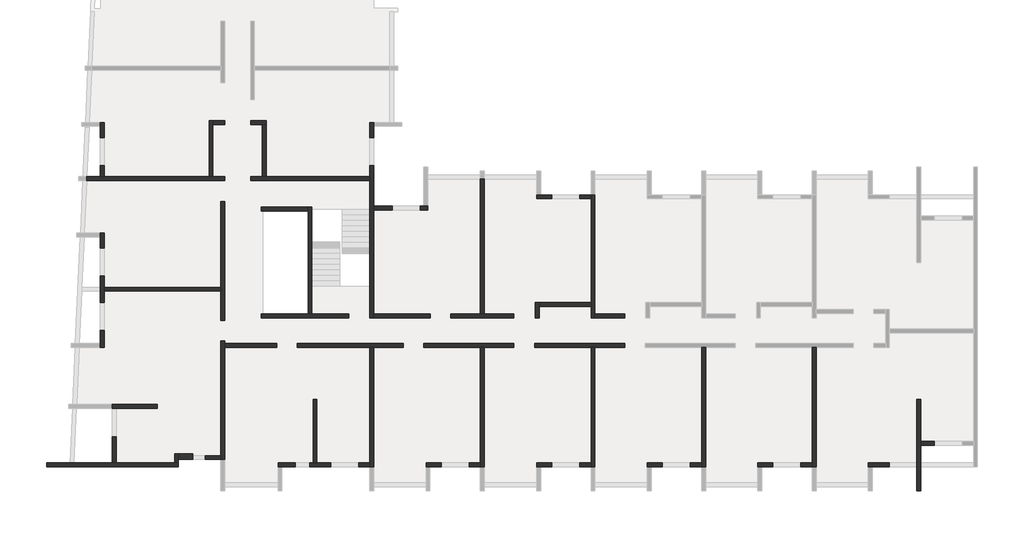
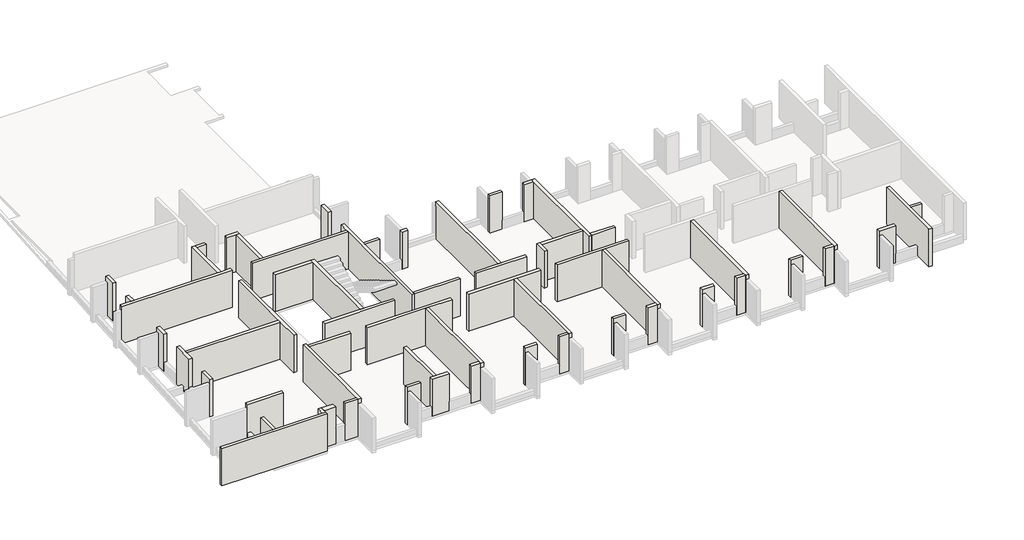
# One storey, part 1 of 4: 60 walls.
"""IFC4 building model written with IfcOpenShell, lengths in millimetres."""

from ifc_helpers import new_model, si_unit, frame, origin, place, context, project, spatial, polyline, outline, extrude, faceted_brep, element, save

model = new_model("IFC4")

# Units and contexts
model_context = context("Model", 3, world=origin())
ifc_project = project(units=[si_unit("LENGTHUNIT", "METRE", prefix="MILLI")], contexts=[model_context])

# Site, building, storey
site = spatial("IfcSite", under=ifc_project)
building = spatial("IfcBuilding", under=site)
storey = spatial("IfcBuildingStorey", under=building, Elevation=9760.0)

# Walls
placement = place(None, origin())
element("IfcWall", 1, ObjectType="MHA20", at=placement, inside=storey, context=model_context, shape_type="Brep", body=[
    faceted_brep([(-6305.6912908, -19419.0672499, 9760.0), (-6305.6912908, -13279.0672499, 9760.0), (-6305.6912908, -13279.0672499, 12290.0), (-6305.6912908, -19419.0672499, 12290.0), (-6305.6912908, -19419.0672499, 11990.0), (-6505.6912908, -19419.0672499, 9760.0), (-6505.6912908, -19419.0672499, 11990.0), (-6505.6912908, -19419.0672499, 12290.0), (-6505.6912908, -19219.0672499, 12290.0), (-6505.6912908, -13279.0672499, 12290.0), (-6505.6912908, -13279.0672499, 9760.0), (-6505.6912908, -19219.0672499, 9760.0)], [[[0, 1, 2, 3, 4]], [[5, 6, 7, 8, 9, 10, 11]], [[1, 0, 5, 11, 10]], [[3, 2, 9, 8, 7]], [[2, 1, 10, 9]], [[0, 4, 3, 7, 6, 5]]]),
])
element("IfcWall", 2, ObjectType="MHA20", at=placement, inside=storey, context=model_context, shape_type="Brep", body=[
    faceted_brep([(-925.6912908, -20669.0672499, 9760.0), (-925.6912908, -18319.0672499, 9760.0), (-925.6912908, -18119.0672499, 9760.0), (-925.6912908, -15939.0672499, 9760.0), (-925.6912908, -15939.0672499, 12290.0), (-925.6912908, -18119.0672499, 12290.0), (-925.6912908, -18319.0672499, 12290.0), (-925.6912908, -20669.0672499, 12290.0), (-1125.6912908, -20669.0672499, 9760.0), (-1125.6912908, -20669.0672499, 12290.0), (-1125.6912908, -15939.0672499, 12290.0), (-1125.6912908, -15939.0672499, 9760.0), (-1125.6912908, -19219.0672499, 9760.0), (-1125.6912908, -19419.0672499, 9760.0)], [[[0, 1, 2, 3, 4, 5, 6, 7]], [[8, 9, 10, 11, 12, 13]], [[3, 2, 1, 0, 8, 13, 12, 11]], [[4, 3, 11, 10]], [[7, 6, 5, 4, 10, 9]], [[0, 7, 9, 8]]]),
])
element("IfcWall", 3, ObjectType="MHA20", at=placement, inside=storey, context=model_context, shape_type="SweptSolid", body=[
    extrude(outline(polyline([(-225.6912908, -18319.0672499), (-925.6912908, -18319.0672499), (-925.6912908, -18119.0672499), (-225.6912908, -18119.0672499), (-225.6912908, -18319.0672499)])), frame((0.0, 0.0, 9760.0), z_axis=(0.0, 0.0, 1.0), x_axis=(1.0, 0.0, 0.0)), (0.0, 0.0, 1.0), 2530.0),
])
element("IfcWall", 4, ObjectType="MHA20", at=placement, inside=storey, context=model_context, shape_type="Brep", body=[
    faceted_brep([(-3615.6912908, -19419.0672499, 9760.0), (-3415.6912908, -19419.0672499, 9760.0), (-2545.6912908, -19419.0672499, 9760.0), (-2545.6912908, -19419.0672499, 10360.0), (-2545.6912908, -19419.0672499, 12290.0), (-3615.6912908, -19419.0672499, 12290.0), (-3615.6912908, -19419.0672499, 11990.0), (-3615.6912908, -19219.0672499, 9760.0), (-3615.6912908, -19219.0672499, 12290.0), (-2545.6912908, -19219.0672499, 12290.0), (-2545.6912908, -19219.0672499, 10360.0), (-2545.6912908, -19219.0672499, 9760.0)], [[[0, 1, 2, 3, 4, 5, 6]], [[7, 8, 9, 10, 11]], [[2, 1, 0, 7, 11]], [[4, 3, 2, 11, 10, 9]], [[5, 4, 9, 8]], [[0, 6, 5, 8, 7]]]),
])
element("IfcWall", 5, ObjectType="MHA20", at=placement, inside=storey, context=model_context, shape_type="Brep", body=[
    faceted_brep([(-11995.6912908, -19419.0672499, 9760.0), (-11995.6912908, -13279.0672499, 9760.0), (-11995.6912908, -13279.0672499, 12290.0), (-11995.6912908, -19419.0672499, 12290.0), (-11995.6912908, -19419.0672499, 11990.0), (-12195.6912908, -19419.0672499, 9760.0), (-12195.6912908, -19419.0672499, 11990.0), (-12195.6912908, -19419.0672499, 12290.0), (-12195.6912908, -19219.0672499, 12290.0), (-12195.6912908, -13279.0672499, 12290.0), (-12195.6912908, -13279.0672499, 9760.0), (-12195.6912908, -19219.0672499, 9760.0)], [[[0, 1, 2, 3, 4]], [[5, 6, 7, 8, 9, 10, 11]], [[1, 0, 5, 11, 10]], [[3, 2, 9, 8, 7]], [[2, 1, 10, 9]], [[0, 4, 3, 7, 6, 5]]]),
])
element("IfcWall", 6, ObjectType="MHA20", at=placement, inside=storey, context=model_context, shape_type="Brep", body=[
    faceted_brep([(-9305.6912908, -19419.0672499, 9760.0), (-9105.6912908, -19419.0672499, 9760.0), (-8525.6912908, -19419.0672499, 9760.0), (-8525.6912908, -19419.0672499, 10360.0), (-8525.6912908, -19419.0672499, 12290.0), (-9305.6912908, -19419.0672499, 12290.0), (-9305.6912908, -19419.0672499, 11990.0), (-9305.6912908, -19219.0672499, 9760.0), (-9305.6912908, -19219.0672499, 12290.0), (-8525.6912908, -19219.0672499, 12290.0), (-8525.6912908, -19219.0672499, 10360.0), (-8525.6912908, -19219.0672499, 9760.0)], [[[0, 1, 2, 3, 4, 5, 6]], [[7, 8, 9, 10, 11]], [[2, 1, 0, 7, 11]], [[4, 3, 2, 11, 10, 9]], [[5, 4, 9, 8]], [[0, 6, 5, 8, 7]]]),
])
element("IfcWall", 7, ObjectType="MHA20", at=placement, inside=storey, context=model_context, shape_type="Brep", body=[
    faceted_brep([(-7085.6912908, -19419.0672499, 9760.0), (-6505.6912908, -19419.0672499, 9760.0), (-6505.6912908, -19419.0672499, 12290.0), (-7085.6912908, -19419.0672499, 12290.0), (-7085.6912908, -19419.0672499, 10360.0), (-7085.6912908, -19219.0672499, 9760.0), (-7085.6912908, -19219.0672499, 10360.0), (-7085.6912908, -19219.0672499, 12290.0), (-6505.6912908, -19219.0672499, 12290.0), (-6505.6912908, -19219.0672499, 9760.0)], [[[0, 1, 2, 3, 4]], [[5, 6, 7, 8, 9]], [[1, 0, 5, 9]], [[3, 2, 8, 7]], [[0, 4, 3, 7, 6, 5]], [[2, 1, 9, 8]]]),
])
element("IfcWall", 8, ObjectType="MHA20", at=placement, inside=storey, context=model_context, shape_type="Brep", body=[
    faceted_brep([(-17685.6912908, -19419.0672499, 9760.0), (-17685.6912908, -13279.0672499, 9760.0), (-17685.6912908, -13279.0672499, 12290.0), (-17685.6912908, -19419.0672499, 12290.0), (-17685.6912908, -19419.0672499, 11990.0), (-17885.6912908, -19419.0672499, 9760.0), (-17885.6912908, -19419.0672499, 11990.0), (-17885.6912908, -19419.0672499, 12290.0), (-17885.6912908, -19219.0672499, 12290.0), (-17885.6912908, -13279.0672499, 12290.0), (-17885.6912908, -13279.0672499, 9760.0), (-17885.6912908, -19219.0672499, 9760.0)], [[[0, 1, 2, 3, 4]], [[5, 6, 7, 8, 9, 10, 11]], [[1, 0, 5, 11, 10]], [[3, 2, 9, 8, 7]], [[2, 1, 10, 9]], [[0, 4, 3, 7, 6, 5]]]),
])
element("IfcWall", 9, ObjectType="MHA20", at=placement, inside=storey, context=model_context, shape_type="Brep", body=[
    faceted_brep([(-14995.6912908, -19419.0672499, 9760.0), (-14795.6912908, -19419.0672499, 9760.0), (-14215.6912908, -19419.0672499, 9760.0), (-14215.6912908, -19419.0672499, 10360.0), (-14215.6912908, -19419.0672499, 12290.0), (-14995.6912908, -19419.0672499, 12290.0), (-14995.6912908, -19419.0672499, 11990.0), (-14995.6912908, -19219.0672499, 9760.0), (-14995.6912908, -19219.0672499, 12290.0), (-14215.6912908, -19219.0672499, 12290.0), (-14215.6912908, -19219.0672499, 10360.0), (-14215.6912908, -19219.0672499, 9760.0)], [[[0, 1, 2, 3, 4, 5, 6]], [[7, 8, 9, 10, 11]], [[2, 1, 0, 7, 11]], [[4, 3, 2, 11, 10, 9]], [[5, 4, 9, 8]], [[0, 6, 5, 8, 7]]]),
])
element("IfcWall", 10, ObjectType="MHA20", at=placement, inside=storey, context=model_context, shape_type="Brep", body=[
    faceted_brep([(-12775.6912908, -19419.0672499, 9760.0), (-12195.6912908, -19419.0672499, 9760.0), (-12195.6912908, -19419.0672499, 12290.0), (-12775.6912908, -19419.0672499, 12290.0), (-12775.6912908, -19419.0672499, 10360.0), (-12775.6912908, -19219.0672499, 9760.0), (-12775.6912908, -19219.0672499, 10360.0), (-12775.6912908, -19219.0672499, 12290.0), (-12195.6912908, -19219.0672499, 12290.0), (-12195.6912908, -19219.0672499, 9760.0)], [[[0, 1, 2, 3, 4]], [[5, 6, 7, 8, 9]], [[1, 0, 5, 9]], [[3, 2, 8, 7]], [[0, 4, 3, 7, 6, 5]], [[2, 1, 9, 8]]]),
])
element("IfcWall", 11, ObjectType="MHA20", at=placement, inside=storey, context=model_context, shape_type="Brep", body=[
    faceted_brep([(-23375.6912908, -19419.0672499, 9760.0), (-23375.6912908, -13279.0672499, 9760.0), (-23375.6912908, -13279.0672499, 12290.0), (-23375.6912908, -19419.0672499, 12290.0), (-23375.6912908, -19419.0672499, 11990.0), (-23575.6912908, -19419.0672499, 9760.0), (-23575.6912908, -19419.0672499, 11990.0), (-23575.6912908, -19419.0672499, 12290.0), (-23575.6912908, -19219.0672499, 12290.0), (-23575.6912908, -13279.0672499, 12290.0), (-23575.6912908, -13279.0672499, 9760.0), (-23575.6912908, -19219.0672499, 9760.0)], [[[0, 1, 2, 3, 4]], [[5, 6, 7, 8, 9, 10, 11]], [[1, 0, 5, 11, 10]], [[3, 2, 9, 8, 7]], [[2, 1, 10, 9]], [[0, 4, 3, 7, 6, 5]]]),
])
element("IfcWall", 12, ObjectType="MHA20", at=placement, inside=storey, context=model_context, shape_type="Brep", body=[
    faceted_brep([(-20685.6912908, -19419.0672499, 9760.0), (-20485.6912908, -19419.0672499, 9760.0), (-19905.6912908, -19419.0672499, 9760.0), (-19905.6912908, -19419.0672499, 10360.0), (-19905.6912908, -19419.0672499, 12290.0), (-20685.6912908, -19419.0672499, 12290.0), (-20685.6912908, -19419.0672499, 11990.0), (-20685.6912908, -19219.0672499, 9760.0), (-20685.6912908, -19219.0672499, 12290.0), (-19905.6912908, -19219.0672499, 12290.0), (-19905.6912908, -19219.0672499, 10360.0), (-19905.6912908, -19219.0672499, 9760.0)], [[[0, 1, 2, 3, 4, 5, 6]], [[7, 8, 9, 10, 11]], [[2, 1, 0, 7, 11]], [[4, 3, 2, 11, 10, 9]], [[5, 4, 9, 8]], [[0, 6, 5, 8, 7]]]),
])
element("IfcWall", 13, ObjectType="MHA20", at=placement, inside=storey, context=model_context, shape_type="Brep", body=[
    faceted_brep([(-18465.6912908, -19419.0672499, 9760.0), (-17885.6912908, -19419.0672499, 9760.0), (-17885.6912908, -19419.0672499, 12290.0), (-18465.6912908, -19419.0672499, 12290.0), (-18465.6912908, -19419.0672499, 10360.0), (-18465.6912908, -19219.0672499, 9760.0), (-18465.6912908, -19219.0672499, 10360.0), (-18465.6912908, -19219.0672499, 12290.0), (-17885.6912908, -19219.0672499, 12290.0), (-17885.6912908, -19219.0672499, 9760.0)], [[[0, 1, 2, 3, 4]], [[5, 6, 7, 8, 9]], [[1, 0, 5, 9]], [[3, 2, 8, 7]], [[0, 4, 3, 7, 6, 5]], [[2, 1, 9, 8]]]),
])
element("IfcWall", 14, ObjectType="MHA20", at=placement, inside=storey, context=model_context, shape_type="Brep", body=[
    faceted_brep([(-29065.6912908, -19419.0672499, 9760.0), (-29065.6912908, -13279.0672499, 9760.0), (-29065.6912908, -13279.0672499, 12290.0), (-29065.6912908, -19419.0672499, 12290.0), (-29065.6912908, -19419.0672499, 11990.0), (-29265.6912908, -19419.0672499, 9760.0), (-29265.6912908, -19419.0672499, 11990.0), (-29265.6912908, -19419.0672499, 12290.0), (-29265.6912908, -19219.0672499, 12290.0), (-29265.6912908, -13279.0672499, 12290.0), (-29265.6912908, -13279.0672499, 9760.0), (-29265.6912908, -19219.0672499, 9760.0)], [[[0, 1, 2, 3, 4]], [[5, 6, 7, 8, 9, 10, 11]], [[1, 0, 5, 11, 10]], [[3, 2, 9, 8, 7]], [[2, 1, 10, 9]], [[0, 4, 3, 7, 6, 5]]]),
])
element("IfcWall", 15, ObjectType="MHA20", at=placement, inside=storey, context=model_context, shape_type="Brep", body=[
    faceted_brep([(-26375.6912908, -19419.0672499, 9760.0), (-26175.6912908, -19419.0672499, 9760.0), (-25595.6912908, -19419.0672499, 9760.0), (-25595.6912908, -19419.0672499, 10360.0), (-25595.6912908, -19419.0672499, 12290.0), (-26375.6912908, -19419.0672499, 12290.0), (-26375.6912908, -19419.0672499, 11990.0), (-26375.6912908, -19219.0672499, 9760.0), (-26375.6912908, -19219.0672499, 12290.0), (-25595.6912908, -19219.0672499, 12290.0), (-25595.6912908, -19219.0672499, 10360.0), (-25595.6912908, -19219.0672499, 9760.0)], [[[0, 1, 2, 3, 4, 5, 6]], [[7, 8, 9, 10, 11]], [[2, 1, 0, 7, 11]], [[4, 3, 2, 11, 10, 9]], [[5, 4, 9, 8]], [[0, 6, 5, 8, 7]]]),
])
element("IfcWall", 16, ObjectType="MHA20", at=placement, inside=storey, context=model_context, shape_type="Brep", body=[
    faceted_brep([(-24155.6912908, -19419.0672499, 9760.0), (-23575.6912908, -19419.0672499, 9760.0), (-23575.6912908, -19419.0672499, 12290.0), (-24155.6912908, -19419.0672499, 12290.0), (-24155.6912908, -19419.0672499, 10360.0), (-24155.6912908, -19219.0672499, 9760.0), (-24155.6912908, -19219.0672499, 10360.0), (-24155.6912908, -19219.0672499, 12290.0), (-23575.6912908, -19219.0672499, 12290.0), (-23575.6912908, -19219.0672499, 9760.0)], [[[0, 1, 2, 3, 4]], [[5, 6, 7, 8, 9]], [[1, 0, 5, 9]], [[3, 2, 8, 7]], [[0, 4, 3, 7, 6, 5]], [[2, 1, 9, 8]]]),
])
element("IfcWall", 17, ObjectType="MHA20", at=placement, inside=storey, context=model_context, shape_type="Brep", body=[
    faceted_brep([(-17885.6912908, -5419.0672499, 9760.0), (-17885.6912908, -5619.0672499, 9760.0), (-17885.6912908, -10959.0672499, 9760.0), (-17885.6912908, -11159.0672499, 9760.0), (-17885.6912908, -11759.0672499, 9760.0), (-17885.6912908, -11759.0672499, 12290.0), (-17885.6912908, -11159.0672499, 12290.0), (-17885.6912908, -10959.0672499, 12290.0), (-17885.6912908, -5619.0672499, 12290.0), (-17885.6912908, -5419.0672499, 12290.0), (-17885.6912908, -5419.0672499, 11990.0), (-17685.6912908, -5419.0672499, 9760.0), (-17685.6912908, -5419.0672499, 11990.0), (-17685.6912908, -5419.0672499, 12290.0), (-17685.6912908, -11559.0672499, 12290.0), (-17685.6912908, -11759.0672499, 12290.0), (-17685.6912908, -11759.0672499, 9760.0), (-17685.6912908, -11559.0672499, 9760.0)], [[[0, 1, 2, 3, 4, 5, 6, 7, 8, 9, 10]], [[11, 12, 13, 14, 15, 16, 17]], [[4, 3, 2, 1, 0, 11, 17, 16]], [[9, 8, 7, 6, 5, 15, 14, 13]], [[5, 4, 16, 15]], [[0, 10, 9, 13, 12, 11]]]),
])
element("IfcWall", 18, ObjectType="MHA20", at=placement, inside=storey, context=model_context, shape_type="Brep", body=[
    faceted_brep([(-23575.6912908, -4599.0672499, 9760.0), (-23575.6912908, -11559.0672499, 9760.0), (-23575.6912908, -11559.0672499, 12290.0), (-23575.6912908, -4599.0672499, 12290.0), (-23575.6912908, -4599.0672499, 11990.0), (-23375.6912908, -4599.0672499, 9760.0), (-23375.6912908, -4599.0672499, 11990.0), (-23375.6912908, -4599.0672499, 12290.0), (-23375.6912908, -11559.0672499, 12290.0), (-23375.6912908, -11559.0672499, 9760.0)], [[[0, 1, 2, 3, 4]], [[5, 6, 7, 8, 9]], [[1, 0, 5, 9]], [[3, 2, 8, 7]], [[0, 4, 3, 7, 6, 5]], [[2, 1, 9, 8]]]),
])
element("IfcWall", 19, ObjectType="MHA20", at=placement, inside=storey, context=model_context, shape_type="Brep", body=[
    faceted_brep([(-20685.6912908, -5619.0672499, 9760.0), (-19905.6912908, -5619.0672499, 9760.0), (-19905.6912908, -5619.0672499, 10360.0), (-19905.6912908, -5619.0672499, 12290.0), (-20685.6912908, -5619.0672499, 12290.0), (-20685.6912908, -5419.0672499, 9760.0), (-20685.6912908, -5419.0672499, 11990.0), (-20685.6912908, -5419.0672499, 12290.0), (-19905.6912908, -5419.0672499, 12290.0), (-19905.6912908, -5419.0672499, 10360.0), (-19905.6912908, -5419.0672499, 9760.0), (-20485.6912908, -5419.0672499, 9760.0)], [[[0, 1, 2, 3, 4]], [[5, 6, 7, 8, 9, 10, 11]], [[1, 0, 5, 11, 10]], [[3, 2, 1, 10, 9, 8]], [[4, 3, 8, 7]], [[0, 4, 7, 6, 5]]]),
])
element("IfcWall", 20, ObjectType="MHA20", at=placement, inside=storey, context=model_context, shape_type="Brep", body=[
    faceted_brep([(-18465.6912908, -5619.0672499, 9760.0), (-17885.6912908, -5619.0672499, 9760.0), (-17885.6912908, -5619.0672499, 12290.0), (-18465.6912908, -5619.0672499, 12290.0), (-18465.6912908, -5619.0672499, 10360.0), (-18465.6912908, -5419.0672499, 9760.0), (-18465.6912908, -5419.0672499, 10360.0), (-18465.6912908, -5419.0672499, 12290.0), (-17885.6912908, -5419.0672499, 12290.0), (-17885.6912908, -5419.0672499, 9760.0)], [[[0, 1, 2, 3, 4]], [[5, 6, 7, 8, 9]], [[1, 0, 5, 9]], [[3, 2, 8, 7]], [[0, 4, 3, 7, 6, 5]], [[2, 1, 9, 8]]]),
])
element("IfcWall", 21, ObjectType="MHA20", at=placement, inside=storey, context=model_context, shape_type="Brep", body=[
    faceted_brep([(-36735.6912908, -19049.0672499, 9760.0), (-36735.6912908, -13279.0672499, 9760.0), (-36735.6912908, -13079.0672499, 9760.0), (-36735.6912908, -12949.0672499, 9760.0), (-36735.6912908, -12949.0672499, 12290.0), (-36735.6912908, -13079.0672499, 12290.0), (-36735.6912908, -13279.0672499, 12290.0), (-36735.6912908, -19049.0672499, 12290.0), (-36735.6912908, -19049.0672499, 11990.0), (-36935.6912908, -19049.0672499, 9760.0), (-36935.6912908, -19049.0672499, 11990.0), (-36935.6912908, -19049.0672499, 12290.0), (-36935.6912908, -18849.0672499, 12290.0), (-36935.6912908, -12949.0672499, 12290.0), (-36935.6912908, -12949.0672499, 9760.0), (-36935.6912908, -18849.0672499, 9760.0)], [[[0, 1, 2, 3, 4, 5, 6, 7, 8]], [[9, 10, 11, 12, 13, 14, 15]], [[3, 2, 1, 0, 9, 15, 14]], [[4, 3, 14, 13]], [[7, 6, 5, 4, 13, 12, 11]], [[0, 8, 7, 11, 10, 9]]]),
])
element("IfcWall", 22, ObjectType="MHA20", at=placement, inside=storey, context=model_context, shape_type="SweptSolid", body=[
    extrude(outline(polyline([(-31985.6912908, -15939.0672499), (-31985.6912908, -19219.0672499), (-32185.6912908, -19219.0672499), (-32185.6912908, -15939.0672499), (-31985.6912908, -15939.0672499)])), frame((0.0, 0.0, 9760.0), z_axis=(0.0, 0.0, 1.0), x_axis=(1.0, 0.0, 0.0)), (0.0, 0.0, 1.0), 2530.0),
])
element("IfcWall", 23, ObjectType="MHA20", at=placement, inside=storey, context=model_context, shape_type="Brep", body=[
    faceted_brep([(-33985.6912908, -19419.0672499, 9760.0), (-33785.6912908, -19419.0672499, 9760.0), (-33105.6912908, -19419.0672499, 9760.0), (-33105.6912908, -19419.0672499, 10360.0), (-33105.6912908, -19419.0672499, 12290.0), (-33985.6912908, -19419.0672499, 12290.0), (-33985.6912908, -19419.0672499, 11990.0), (-33985.6912908, -19219.0672499, 9760.0), (-33985.6912908, -19219.0672499, 12290.0), (-33105.6912908, -19219.0672499, 12290.0), (-33105.6912908, -19219.0672499, 10360.0), (-33105.6912908, -19219.0672499, 9760.0)], [[[0, 1, 2, 3, 4, 5, 6]], [[7, 8, 9, 10, 11]], [[2, 1, 0, 7, 11]], [[4, 3, 2, 11, 10, 9]], [[5, 4, 9, 8]], [[0, 6, 5, 8, 7]]]),
])
element("IfcWall", 24, ObjectType="MHA20", at=placement, inside=storey, context=model_context, shape_type="Brep", body=[
    faceted_brep([(-32365.6912908, -19419.0672499, 9760.0), (-31285.6912908, -19419.0672499, 9760.0), (-31285.6912908, -19419.0672499, 10360.0), (-31285.6912908, -19419.0672499, 12290.0), (-32365.6912908, -19419.0672499, 12290.0), (-32365.6912908, -19419.0672499, 10360.0), (-32365.6912908, -19219.0672499, 9760.0), (-32365.6912908, -19219.0672499, 10360.0), (-32365.6912908, -19219.0672499, 12290.0), (-32185.6912908, -19219.0672499, 12290.0), (-31985.6912908, -19219.0672499, 12290.0), (-31285.6912908, -19219.0672499, 12290.0), (-31285.6912908, -19219.0672499, 10360.0), (-31285.6912908, -19219.0672499, 9760.0), (-31985.6912908, -19219.0672499, 9760.0), (-32185.6912908, -19219.0672499, 9760.0)], [[[0, 1, 2, 3, 4, 5]], [[6, 7, 8, 9, 10, 11, 12, 13, 14, 15]], [[1, 0, 6, 15, 14, 13]], [[3, 2, 1, 13, 12, 11]], [[4, 3, 11, 10, 9, 8]], [[0, 5, 4, 8, 7, 6]]]),
])
element("IfcWall", 25, ObjectType="MHA20", at=placement, inside=storey, context=model_context, shape_type="Brep", body=[
    faceted_brep([(-29845.6912908, -19419.0672499, 9760.0), (-29265.6912908, -19419.0672499, 9760.0), (-29265.6912908, -19419.0672499, 12290.0), (-29845.6912908, -19419.0672499, 12290.0), (-29845.6912908, -19419.0672499, 10360.0), (-29845.6912908, -19219.0672499, 9760.0), (-29845.6912908, -19219.0672499, 10360.0), (-29845.6912908, -19219.0672499, 12290.0), (-29265.6912908, -19219.0672499, 12290.0), (-29265.6912908, -19219.0672499, 9760.0)], [[[0, 1, 2, 3, 4]], [[5, 6, 7, 8, 9]], [[1, 0, 5, 9]], [[3, 2, 8, 7]], [[0, 4, 3, 7, 6, 5]], [[2, 1, 9, 8]]]),
])
element("IfcWall", 26, ObjectType="MHA20", at=placement, inside=storey, context=model_context, shape_type="Brep", body=[
    faceted_brep([(-39115.6912908, -19419.0672499, 9760.0), (-39115.6912908, -19419.0672499, 12290.0), (-45899.4109651, -19419.0672499, 12290.0), (-45899.4109651, -19419.0672499, 9760.0), (-39115.6912908, -19219.0672499, 12290.0), (-39115.6912908, -19219.0672499, 9760.0), (-39315.6912908, -19219.0672499, 9760.0), (-42325.6912908, -19219.0672499, 9760.0), (-42525.6912908, -19219.0672499, 9760.0), (-45890.3379827, -19219.0672499, 9760.0), (-45890.3379827, -19219.0672499, 12290.0), (-42525.6912908, -19219.0672499, 12290.0), (-42325.6912908, -19219.0672499, 12290.0), (-39315.6912908, -19219.0672499, 12290.0)], [[[0, 1, 2, 3]], [[4, 5, 6, 7, 8, 9, 10, 11, 12, 13]], [[5, 0, 3, 9, 8, 7, 6]], [[1, 4, 13, 12, 11, 10, 2]], [[3, 2, 10, 9]], [[1, 0, 5, 4]]]),
])
element("IfcWall", 27, ObjectType="MHA20", at=placement, inside=storey, context=model_context, shape_type="Brep", body=[
    faceted_brep([(-39115.6912908, -19219.0672499, 9760.0), (-39115.6912908, -19049.0672499, 9760.0), (-39115.6912908, -18749.0672499, 9760.0), (-39115.6912908, -18749.0672499, 12290.0), (-39115.6912908, -19049.0672499, 12290.0), (-39115.6912908, -19219.0672499, 12290.0), (-39315.6912908, -19219.0672499, 9760.0), (-39315.6912908, -19219.0672499, 12290.0), (-39315.6912908, -18749.0672499, 12290.0), (-39315.6912908, -18749.0672499, 9760.0)], [[[0, 1, 2, 3, 4, 5]], [[6, 7, 8, 9]], [[2, 1, 0, 6, 9]], [[5, 4, 3, 8, 7]], [[3, 2, 9, 8]], [[0, 5, 7, 6]]]),
])
element("IfcWall", 28, ObjectType="MHA20", at=placement, inside=storey, context=model_context, shape_type="SweptSolid", body=[
    extrude(outline(polyline([(-36935.6912908, -19049.0672499), (-37735.6912908, -19049.0672499), (-37735.6912908, -18849.0672499), (-36935.6912908, -18849.0672499), (-36935.6912908, -19049.0672499)])), frame((0.0, 0.0, 9760.0), z_axis=(0.0, 0.0, 1.0), x_axis=(1.0, 0.0, 0.0)), (0.0, 0.0, 1.0), 2530.0),
])
element("IfcWall", 29, ObjectType="MHA20", at=placement, inside=storey, context=model_context, shape_type="Brep", body=[
    faceted_brep([(-16160.6912908, -13079.0672499, 9760.0), (-20790.6912908, -13079.0672499, 9760.0), (-20790.6912908, -13079.0672499, 12290.0), (-16160.6912908, -13079.0672499, 12290.0), (-16160.6912908, -13279.0672499, 9760.0), (-16160.6912908, -13279.0672499, 12290.0), (-17685.6912908, -13279.0672499, 12290.0), (-17885.6912908, -13279.0672499, 12290.0), (-20790.6912908, -13279.0672499, 12290.0), (-20790.6912908, -13279.0672499, 9760.0), (-17885.6912908, -13279.0672499, 9760.0), (-17685.6912908, -13279.0672499, 9760.0)], [[[0, 1, 2, 3]], [[4, 5, 6, 7, 8, 9, 10, 11]], [[1, 0, 4, 11, 10, 9]], [[2, 1, 9, 8]], [[3, 2, 8, 7, 6, 5]], [[0, 3, 5, 4]]]),
])
element("IfcWall", 30, ObjectType="MHA20", at=placement, inside=storey, context=model_context, shape_type="Brep", body=[
    faceted_brep([(-21850.6912908, -13079.0672499, 9760.0), (-26480.6912908, -13079.0672499, 9760.0), (-26480.6912908, -13079.0672499, 12290.0), (-21850.6912908, -13079.0672499, 12290.0), (-21850.6912908, -13279.0672499, 9760.0), (-21850.6912908, -13279.0672499, 12290.0), (-23375.6912908, -13279.0672499, 12290.0), (-23575.6912908, -13279.0672499, 12290.0), (-26480.6912908, -13279.0672499, 12290.0), (-26480.6912908, -13279.0672499, 9760.0), (-23575.6912908, -13279.0672499, 9760.0), (-23375.6912908, -13279.0672499, 9760.0)], [[[0, 1, 2, 3]], [[4, 5, 6, 7, 8, 9, 10, 11]], [[1, 0, 4, 11, 10, 9]], [[2, 1, 9, 8]], [[3, 2, 8, 7, 6, 5]], [[0, 3, 5, 4]]]),
])
element("IfcWall", 31, ObjectType="MHA20", at=placement, inside=storey, context=model_context, shape_type="Brep", body=[
    faceted_brep([(-27540.6912908, -13079.0672499, 9760.0), (-32995.6912908, -13079.0672499, 9760.0), (-32995.6912908, -13079.0672499, 12290.0), (-27540.6912908, -13079.0672499, 12290.0), (-27540.6912908, -13279.0672499, 9760.0), (-27540.6912908, -13279.0672499, 12290.0), (-29065.6912908, -13279.0672499, 12290.0), (-29265.6912908, -13279.0672499, 12290.0), (-32995.6912908, -13279.0672499, 12290.0), (-32995.6912908, -13279.0672499, 9760.0), (-29265.6912908, -13279.0672499, 9760.0), (-29065.6912908, -13279.0672499, 9760.0)], [[[0, 1, 2, 3]], [[4, 5, 6, 7, 8, 9, 10, 11]], [[1, 0, 4, 11, 10, 9]], [[2, 1, 9, 8]], [[3, 2, 8, 7, 6, 5]], [[0, 3, 5, 4]]]),
])
element("IfcWall", 32, ObjectType="MHA20", at=placement, inside=storey, context=model_context, shape_type="SweptSolid", body=[
    extrude(outline(polyline([(-34055.6912908, -13279.0672499), (-36735.6912908, -13279.0672499), (-36735.6912908, -13079.0672499), (-34055.6912908, -13079.0672499), (-34055.6912908, -13279.0672499)])), frame((0.0, 0.0, 9760.0), z_axis=(0.0, 0.0, 1.0), x_axis=(1.0, 0.0, 0.0)), (0.0, 0.0, 1.0), 2530.0),
])
element("IfcWall", 33, ObjectType="MHA20", at=placement, inside=storey, context=model_context, shape_type="Brep", body=[
    faceted_brep([(-20550.6912908, -11759.0672499, 9760.0), (-20550.6912908, -11159.0672499, 9760.0), (-20550.6912908, -10959.0672499, 9760.0), (-20550.6912908, -10959.0672499, 12290.0), (-20550.6912908, -11159.0672499, 12290.0), (-20550.6912908, -11759.0672499, 12290.0), (-20750.6912908, -11759.0672499, 9760.0), (-20750.6912908, -11759.0672499, 12290.0), (-20750.6912908, -10959.0672499, 12290.0), (-20750.6912908, -10959.0672499, 9760.0)], [[[0, 1, 2, 3, 4, 5]], [[6, 7, 8, 9]], [[2, 1, 0, 6, 9]], [[5, 4, 3, 8, 7]], [[0, 5, 7, 6]], [[3, 2, 9, 8]]]),
])
element("IfcWall", 34, ObjectType="MHA20", at=placement, inside=storey, context=model_context, shape_type="SweptSolid", body=[
    extrude(outline(polyline([(-17885.6912908, -11159.0672499), (-20550.6912908, -11159.0672499), (-20550.6912908, -10959.0672499), (-17885.6912908, -10959.0672499), (-17885.6912908, -11159.0672499)])), frame((0.0, 0.0, 9760.0), z_axis=(0.0, 0.0, 1.0), x_axis=(1.0, 0.0, 0.0)), (0.0, 0.0, 1.0), 2530.0),
])
element("IfcWall", 35, ObjectType="MHA20", at=placement, inside=storey, context=model_context, shape_type="SweptSolid", body=[
    extrude(outline(polyline([(-17685.6912908, -11559.0672499), (-16160.6912908, -11559.0672499), (-16160.6912908, -11759.0672499), (-17685.6912908, -11759.0672499), (-17685.6912908, -11559.0672499)])), frame((0.0, 0.0, 9760.0), z_axis=(0.0, 0.0, 1.0), x_axis=(1.0, 0.0, 0.0)), (0.0, 0.0, 1.0), 2530.0),
])
element("IfcWall", 36, ObjectType="MHA20", at=placement, inside=storey, context=model_context, shape_type="Brep", body=[
    faceted_brep([(-21850.6912908, -11559.0672499, 9760.0), (-23375.6912908, -11559.0672499, 9760.0), (-23575.6912908, -11559.0672499, 9760.0), (-25095.6912908, -11559.0672499, 9760.0), (-25095.6912908, -11559.0672499, 12290.0), (-23575.6912908, -11559.0672499, 12290.0), (-23375.6912908, -11559.0672499, 12290.0), (-21850.6912908, -11559.0672499, 12290.0), (-21850.6912908, -11759.0672499, 9760.0), (-21850.6912908, -11759.0672499, 12290.0), (-25095.6912908, -11759.0672499, 12290.0), (-25095.6912908, -11759.0672499, 9760.0)], [[[0, 1, 2, 3, 4, 5, 6, 7]], [[8, 9, 10, 11]], [[3, 2, 1, 0, 8, 11]], [[4, 3, 11, 10]], [[7, 6, 5, 4, 10, 9]], [[0, 7, 9, 8]]]),
])
element("IfcWall", 37, ObjectType="MHA20", at=placement, inside=storey, context=model_context, shape_type="Brep", body=[
    faceted_brep([(-29065.6912908, -11759.0672499, 9760.0), (-29065.6912908, -11559.0672499, 9760.0), (-29065.6912908, -6204.0672499, 9760.0), (-29065.6912908, -6004.0672499, 9760.0), (-29065.6912908, -3909.0672499, 9760.0), (-29065.6912908, -3909.0672499, 10360.0), (-29065.6912908, -3909.0672499, 12290.0), (-29065.6912908, -6004.0672499, 12290.0), (-29065.6912908, -6204.0672499, 12290.0), (-29065.6912908, -11559.0672499, 12290.0), (-29065.6912908, -11759.0672499, 12290.0), (-29265.6912908, -11759.0672499, 9760.0), (-29265.6912908, -11759.0672499, 12290.0), (-29265.6912908, -4689.0672499, 12290.0), (-29265.6912908, -4489.0672499, 12290.0), (-29265.6912908, -3909.0672499, 12290.0), (-29265.6912908, -3909.0672499, 10360.0), (-29265.6912908, -3909.0672499, 9760.0), (-29265.6912908, -4489.0672499, 9760.0), (-29265.6912908, -4689.0672499, 9760.0)], [[[0, 1, 2, 3, 4, 5, 6, 7, 8, 9, 10]], [[11, 12, 13, 14, 15, 16, 17, 18, 19]], [[4, 3, 2, 1, 0, 11, 19, 18, 17]], [[6, 5, 4, 17, 16, 15]], [[10, 9, 8, 7, 6, 15, 14, 13, 12]], [[0, 10, 12, 11]]]),
])
element("IfcWall", 38, ObjectType="MHA20", at=placement, inside=storey, context=model_context, shape_type="Brep", body=[
    faceted_brep([(-35405.6912908, -4689.0672499, 9760.0), (-29265.6912908, -4689.0672499, 9760.0), (-29265.6912908, -4689.0672499, 12290.0), (-35405.6912908, -4689.0672499, 12290.0), (-35405.6912908, -4489.0672499, 9760.0), (-35405.6912908, -4489.0672499, 12290.0), (-34805.6912908, -4489.0672499, 12290.0), (-34605.6912908, -4489.0672499, 12290.0), (-29265.6912908, -4489.0672499, 12290.0), (-29265.6912908, -4489.0672499, 9760.0), (-34605.6912908, -4489.0672499, 9760.0), (-34805.6912908, -4489.0672499, 9760.0)], [[[0, 1, 2, 3]], [[4, 5, 6, 7, 8, 9, 10, 11]], [[1, 0, 4, 11, 10, 9]], [[3, 2, 8, 7, 6, 5]], [[0, 3, 5, 4]], [[2, 1, 9, 8]]]),
])
element("IfcWall", 39, ObjectType="MHA20", at=placement, inside=storey, context=model_context, shape_type="Brep", body=[
    faceted_brep([(-26675.6912908, -6204.0672499, 9760.0), (-26295.6912908, -6204.0672499, 9760.0), (-26295.6912908, -6204.0672499, 12290.0), (-26675.6912908, -6204.0672499, 12290.0), (-26675.6912908, -6204.0672499, 10360.0), (-26675.6912908, -6004.0672499, 9760.0), (-26675.6912908, -6004.0672499, 10360.0), (-26675.6912908, -6004.0672499, 12290.0), (-26295.6912908, -6004.0672499, 12290.0), (-26295.6912908, -6004.0672499, 11990.0), (-26295.6912908, -6004.0672499, 9760.0), (-26495.6912908, -6004.0672499, 9760.0)], [[[0, 1, 2, 3, 4]], [[5, 6, 7, 8, 9, 10, 11]], [[1, 0, 5, 11, 10]], [[2, 1, 10, 9, 8]], [[3, 2, 8, 7]], [[0, 4, 3, 7, 6, 5]]]),
])
element("IfcWall", 40, ObjectType="MHA20", at=placement, inside=storey, context=model_context, shape_type="Brep", body=[
    faceted_brep([(-28115.6912908, -6004.0672499, 9760.0), (-29065.6912908, -6004.0672499, 9760.0), (-29065.6912908, -6004.0672499, 12290.0), (-28115.6912908, -6004.0672499, 12290.0), (-28115.6912908, -6004.0672499, 10360.0), (-28115.6912908, -6204.0672499, 9760.0), (-28115.6912908, -6204.0672499, 10360.0), (-28115.6912908, -6204.0672499, 12290.0), (-29065.6912908, -6204.0672499, 12290.0), (-29065.6912908, -6204.0672499, 9760.0)], [[[0, 1, 2, 3, 4]], [[5, 6, 7, 8, 9]], [[1, 0, 5, 9]], [[3, 2, 8, 7]], [[0, 4, 3, 7, 6, 5]], [[2, 1, 9, 8]]]),
])
element("IfcWall", 41, ObjectType="MHA20", at=placement, inside=storey, context=model_context, shape_type="SweptSolid", body=[
    extrude(outline(polyline([(-26155.6912908, -11759.0672499), (-29065.6912908, -11759.0672499), (-29065.6912908, -11559.0672499), (-26155.6912908, -11559.0672499), (-26155.6912908, -11759.0672499)])), frame((0.0, 0.0, 9760.0), z_axis=(0.0, 0.0, 1.0), x_axis=(1.0, 0.0, 0.0)), (0.0, 0.0, 1.0), 2530.0),
])
element("IfcWall", 42, ObjectType="MHA20", at=placement, inside=storey, context=model_context, shape_type="Brep", body=[
    faceted_brep([(-32245.6912908, -11559.0672499, 9760.0), (-32245.6912908, -6044.0672499, 9760.0), (-32245.6912908, -6044.0672499, 12290.0), (-32245.6912908, -11559.0672499, 12290.0), (-32445.6912908, -11559.0672499, 9760.0), (-32445.6912908, -11559.0672499, 12290.0), (-32445.6912908, -6244.0672499, 12290.0), (-32445.6912908, -6044.0672499, 12290.0), (-32445.6912908, -6044.0672499, 9760.0), (-32445.6912908, -6244.0672499, 9760.0)], [[[0, 1, 2, 3]], [[4, 5, 6, 7, 8, 9]], [[1, 0, 4, 9, 8]], [[3, 2, 7, 6, 5]], [[0, 3, 5, 4]], [[2, 1, 8, 7]]]),
])
element("IfcWall", 43, ObjectType="MHA20", at=placement, inside=storey, context=model_context, shape_type="Brep", body=[
    faceted_brep([(-34865.6912908, -11759.0672499, 9760.0), (-30340.6912908, -11759.0672499, 9760.0), (-30340.6912908, -11759.0672499, 12290.0), (-34865.6912908, -11759.0672499, 12290.0), (-34865.6912908, -11559.0672499, 9760.0), (-34865.6912908, -11559.0672499, 12290.0), (-32445.6912908, -11559.0672499, 12290.0), (-32245.6912908, -11559.0672499, 12290.0), (-30340.6912908, -11559.0672499, 12290.0), (-30340.6912908, -11559.0672499, 9760.0), (-32245.6912908, -11559.0672499, 9760.0), (-32445.6912908, -11559.0672499, 9760.0)], [[[0, 1, 2, 3]], [[4, 5, 6, 7, 8, 9, 10, 11]], [[1, 0, 4, 11, 10, 9]], [[2, 1, 9, 8]], [[3, 2, 8, 7, 6, 5]], [[0, 3, 5, 4]]]),
])
element("IfcWall", 44, ObjectType="MHA20", at=placement, inside=storey, context=model_context, shape_type="SweptSolid", body=[
    extrude(outline(polyline([(-32445.6912908, -6244.0672499), (-34865.6912908, -6244.0672499), (-34865.6912908, -6044.0672499), (-32445.6912908, -6044.0672499), (-32445.6912908, -6244.0672499)])), frame((0.0, 0.0, 9760.0), z_axis=(0.0, 0.0, 1.0), x_axis=(1.0, 0.0, 0.0)), (0.0, 0.0, 1.0), 2530.0),
])
element("IfcWall", 45, ObjectType="MHA20", at=placement, inside=storey, context=model_context, shape_type="SweptSolid", body=[
    extrude(outline(polyline([(-36935.6912908, -10379.0672499), (-42935.6912908, -10379.0672499), (-42935.6912908, -10179.0672499), (-36935.6912908, -10179.0672499), (-36935.6912908, -10379.0672499)])), frame((0.0, 0.0, 9760.0), z_axis=(0.0, 0.0, 1.0), x_axis=(1.0, 0.0, 0.0)), (0.0, 0.0, 1.0), 2530.0),
])
element("IfcWall", 46, ObjectType="MHA20", at=placement, inside=storey, context=model_context, shape_type="Brep", body=[
    faceted_brep([(-36735.6912908, -11889.0672499, 9760.0), (-36735.6912908, -5774.0672499, 9760.0), (-36735.6912908, -5774.0672499, 12290.0), (-36735.6912908, -11889.0672499, 12290.0), (-36935.6912908, -11889.0672499, 9760.0), (-36935.6912908, -11889.0672499, 12290.0), (-36935.6912908, -10379.0672499, 12290.0), (-36935.6912908, -10179.0672499, 12290.0), (-36935.6912908, -5774.0672499, 12290.0), (-36935.6912908, -5774.0672499, 9760.0), (-36935.6912908, -10179.0672499, 9760.0), (-36935.6912908, -10379.0672499, 9760.0)], [[[0, 1, 2, 3]], [[4, 5, 6, 7, 8, 9, 10, 11]], [[1, 0, 4, 11, 10, 9]], [[2, 1, 9, 8]], [[3, 2, 8, 7, 6, 5]], [[0, 3, 5, 4]]]),
])
element("IfcWall", 47, ObjectType="MHA20", at=placement, inside=storey, context=model_context, shape_type="Brep", body=[
    faceted_brep([(-36735.6912908, -4689.0672499, 9760.0), (-36735.6912908, -4689.0672499, 12290.0), (-43829.7459647, -4689.0672499, 12290.0), (-43829.7459647, -4689.0672499, 9760.0), (-36735.6912908, -4489.0672499, 12290.0), (-36735.6912908, -4489.0672499, 9760.0), (-37335.6912908, -4489.0672499, 9760.0), (-37535.6912908, -4489.0672499, 9760.0), (-42935.6912908, -4489.0672499, 9760.0), (-43135.6912908, -4489.0672499, 9760.0), (-43820.6729822, -4489.0672499, 9760.0), (-43820.6729822, -4489.0672499, 12290.0), (-43135.6912908, -4489.0672499, 12290.0), (-42935.6912908, -4489.0672499, 12290.0), (-37535.6912908, -4489.0672499, 12290.0), (-37335.6912908, -4489.0672499, 12290.0)], [[[0, 1, 2, 3]], [[4, 5, 6, 7, 8, 9, 10, 11, 12, 13, 14, 15]], [[5, 0, 3, 10, 9, 8, 7, 6]], [[1, 0, 5, 4]], [[1, 4, 15, 14, 13, 12, 11, 2]], [[3, 2, 11, 10]]]),
])
element("IfcWall", 48, ObjectType="MHA20", at=placement, inside=storey, context=model_context, shape_type="Brep", body=[
    faceted_brep([(-35405.6912908, -1794.0672499, 9760.0), (-34805.6912908, -1794.0672499, 9760.0), (-34605.6912908, -1794.0672499, 9760.0), (-34605.6912908, -1794.0672499, 12290.0), (-34805.6912908, -1794.0672499, 12290.0), (-35405.6912908, -1794.0672499, 12290.0), (-35405.6912908, -1594.0672499, 9760.0), (-35405.6912908, -1594.0672499, 12290.0), (-34605.6912908, -1594.0672499, 12290.0), (-34605.6912908, -1594.0672499, 9760.0)], [[[0, 1, 2, 3, 4, 5]], [[6, 7, 8, 9]], [[2, 1, 0, 6, 9]], [[5, 4, 3, 8, 7]], [[0, 5, 7, 6]], [[3, 2, 9, 8]]]),
])
element("IfcWall", 49, ObjectType="MHA20", at=placement, inside=storey, context=model_context, shape_type="SweptSolid", body=[
    extrude(outline(polyline([(-34605.6912908, -1794.0672499), (-34605.6912908, -4489.0672499), (-34805.6912908, -4489.0672499), (-34805.6912908, -1794.0672499), (-34605.6912908, -1794.0672499)])), frame((0.0, 0.0, 9760.0), z_axis=(0.0, 0.0, 1.0), x_axis=(1.0, 0.0, 0.0)), (0.0, 0.0, 1.0), 2530.0),
])
element("IfcWall", 50, ObjectType="MHA20", at=placement, inside=storey, context=model_context, shape_type="Brep", body=[
    faceted_brep([(-29065.6912908, -2469.0672499, 9760.0), (-29065.6912908, -1889.5482142, 9760.0), (-29065.6912908, -1689.5482142, 9760.0), (-29065.6912908, -1689.5482142, 11990.0), (-29065.6912908, -1689.5482142, 12290.0), (-29065.6912908, -2469.0672499, 12290.0), (-29065.6912908, -2469.0672499, 10360.0), (-29265.6912908, -2469.0672499, 9760.0), (-29265.6912908, -2469.0672499, 10360.0), (-29265.6912908, -2469.0672499, 12290.0), (-29265.6912908, -1689.5482142, 12290.0), (-29265.6912908, -1689.5482142, 9760.0)], [[[0, 1, 2, 3, 4, 5, 6]], [[7, 8, 9, 10, 11]], [[2, 1, 0, 7, 11]], [[4, 3, 2, 11, 10]], [[5, 4, 10, 9]], [[0, 6, 5, 9, 8, 7]]]),
])
element("IfcWall", 51, ObjectType="MHA20", at=placement, inside=storey, context=model_context, shape_type="Brep", body=[
    faceted_brep([(-37335.6912908, -4489.0672499, 9760.0), (-37335.6912908, -1794.0672499, 9760.0), (-37335.6912908, -1594.0672499, 9760.0), (-37335.6912908, -1594.0672499, 12290.0), (-37335.6912908, -1794.0672499, 12290.0), (-37335.6912908, -4489.0672499, 12290.0), (-37535.6912908, -4489.0672499, 9760.0), (-37535.6912908, -4489.0672499, 12290.0), (-37535.6912908, -1594.0672499, 12290.0), (-37535.6912908, -1594.0672499, 9760.0)], [[[0, 1, 2, 3, 4, 5]], [[6, 7, 8, 9]], [[2, 1, 0, 6, 9]], [[5, 4, 3, 8, 7]], [[3, 2, 9, 8]], [[0, 5, 7, 6]]]),
])
element("IfcWall", 52, ObjectType="MHA20", at=placement, inside=storey, context=model_context, shape_type="SweptSolid", body=[
    extrude(outline(polyline([(-37335.6912908, -1594.0672499), (-36735.6912908, -1594.0672499), (-36735.6912908, -1794.0672499), (-37335.6912908, -1794.0672499), (-37335.6912908, -1594.0672499)])), frame((0.0, 0.0, 9760.0), z_axis=(0.0, 0.0, 1.0), x_axis=(1.0, 0.0, 0.0)), (0.0, 0.0, 1.0), 2530.0),
])
element("IfcWall", 53, ObjectType="MHA20", at=placement, inside=storey, context=model_context, shape_type="Brep", body=[
    faceted_brep([(-42935.6912908, -13279.0672499, 9760.0), (-42935.6912908, -12399.0672499, 9760.0), (-42935.6912908, -12399.0672499, 10360.0), (-42935.6912908, -12399.0672499, 12290.0), (-42935.6912908, -13279.0672499, 12290.0), (-43135.6912908, -13279.0672499, 9760.0), (-43135.6912908, -13279.0672499, 12290.0), (-43135.6912908, -12399.0672499, 12290.0), (-43135.6912908, -12399.0672499, 10360.0), (-43135.6912908, -12399.0672499, 9760.0)], [[[0, 1, 2, 3, 4]], [[5, 6, 7, 8, 9]], [[1, 0, 5, 9]], [[3, 2, 1, 9, 8, 7]], [[4, 3, 7, 6]], [[0, 4, 6, 5]]]),
])
element("IfcWall", 54, ObjectType="MHA20", at=placement, inside=storey, context=model_context, shape_type="Brep", body=[
    faceted_brep([(-42325.6912908, -19219.0672499, 9760.0), (-42325.6912908, -17889.0672499, 9760.0), (-42325.6912908, -17889.0672499, 10360.0), (-42325.6912908, -17889.0672499, 12290.0), (-42325.6912908, -19219.0672499, 12290.0), (-42525.6912908, -19219.0672499, 9760.0), (-42525.6912908, -19219.0672499, 12290.0), (-42525.6912908, -17889.0672499, 12290.0), (-42525.6912908, -17889.0672499, 10360.0), (-42525.6912908, -17889.0672499, 9760.0)], [[[0, 1, 2, 3, 4]], [[5, 6, 7, 8, 9]], [[1, 0, 5, 9]], [[3, 2, 1, 9, 8, 7]], [[4, 3, 7, 6]], [[0, 4, 6, 5]]]),
])
element("IfcWall", 55, ObjectType="MHA20", at=placement, inside=storey, context=model_context, shape_type="Brep", body=[
    faceted_brep([(-42935.6912908, -10959.0672499, 9760.0), (-42935.6912908, -10379.0672499, 9760.0), (-42935.6912908, -10179.0672499, 9760.0), (-42935.6912908, -9599.0672499, 9760.0), (-42935.6912908, -9599.0672499, 10360.0), (-42935.6912908, -9599.0672499, 12290.0), (-42935.6912908, -10179.0672499, 12290.0), (-42935.6912908, -10379.0672499, 12290.0), (-42935.6912908, -10959.0672499, 12290.0), (-42935.6912908, -10959.0672499, 10360.0), (-43135.6912908, -10959.0672499, 9760.0), (-43135.6912908, -10959.0672499, 10360.0), (-43135.6912908, -10959.0672499, 12290.0), (-43135.6912908, -9599.0672499, 12290.0), (-43135.6912908, -9599.0672499, 10360.0), (-43135.6912908, -9599.0672499, 9760.0)], [[[0, 1, 2, 3, 4, 5, 6, 7, 8, 9]], [[10, 11, 12, 13, 14, 15]], [[3, 2, 1, 0, 10, 15]], [[5, 4, 3, 15, 14, 13]], [[8, 7, 6, 5, 13, 12]], [[0, 9, 8, 12, 11, 10]]]),
])
element("IfcWall", 56, ObjectType="MHA20", at=placement, inside=storey, context=model_context, shape_type="Brep", body=[
    faceted_brep([(-42935.6912908, -2469.0672499, 9760.0), (-42935.6912908, -1689.5482142, 9760.0), (-42935.6912908, -1689.5482142, 12290.0), (-42935.6912908, -2469.0672499, 12290.0), (-42935.6912908, -2469.0672499, 10360.0), (-43135.6912908, -2469.0672499, 9760.0), (-43135.6912908, -2469.0672499, 10360.0), (-43135.6912908, -2469.0672499, 12290.0), (-43135.6912908, -1689.5482142, 12290.0), (-43135.6912908, -1689.5482142, 9760.0)], [[[0, 1, 2, 3, 4]], [[5, 6, 7, 8, 9]], [[1, 0, 5, 9]], [[2, 1, 9, 8]], [[3, 2, 8, 7]], [[0, 4, 3, 7, 6, 5]]]),
])
element("IfcWall", 57, ObjectType="MHA20", at=placement, inside=storey, context=model_context, shape_type="Brep", body=[
    faceted_brep([(-43135.6912908, -3909.0672499, 9760.0), (-43135.6912908, -4489.0672499, 9760.0), (-43135.6912908, -4489.0672499, 12290.0), (-43135.6912908, -3909.0672499, 12290.0), (-43135.6912908, -3909.0672499, 10360.0), (-42935.6912908, -3909.0672499, 9760.0), (-42935.6912908, -3909.0672499, 10360.0), (-42935.6912908, -3909.0672499, 12290.0), (-42935.6912908, -4489.0672499, 12290.0), (-42935.6912908, -4489.0672499, 9760.0)], [[[0, 1, 2, 3, 4]], [[5, 6, 7, 8, 9]], [[1, 0, 5, 9]], [[3, 2, 8, 7]], [[0, 4, 3, 7, 6, 5]], [[2, 1, 9, 8]]]),
])
element("IfcWall", 58, ObjectType="MHA20", at=placement, inside=storey, context=model_context, shape_type="Brep", body=[
    faceted_brep([(-42935.6912908, -8159.0672499, 9760.0), (-42935.6912908, -7379.0672499, 9760.0), (-42935.6912908, -7379.0672499, 12290.0), (-42935.6912908, -8159.0672499, 12290.0), (-42935.6912908, -8159.0672499, 10360.0), (-43135.6912908, -8159.0672499, 9760.0), (-43135.6912908, -8159.0672499, 10360.0), (-43135.6912908, -8159.0672499, 12290.0), (-43135.6912908, -7379.0672499, 12290.0), (-43135.6912908, -7379.0672499, 9760.0)], [[[0, 1, 2, 3, 4]], [[5, 6, 7, 8, 9]], [[1, 0, 5, 9]], [[2, 1, 9, 8]], [[3, 2, 8, 7]], [[0, 4, 3, 7, 6, 5]]]),
])
element("IfcWall", 59, ObjectType="MHA20", at=placement, inside=storey, context=model_context, shape_type="Brep", body=[
    faceted_brep([(-42525.6912908, -16419.0672499, 9760.0), (-42325.6912908, -16419.0672499, 9760.0), (-40205.6912908, -16419.0672499, 9760.0), (-40205.6912908, -16419.0672499, 12290.0), (-42525.6912908, -16419.0672499, 12290.0), (-42525.6912908, -16419.0672499, 10360.0), (-42525.6912908, -16219.0672499, 9760.0), (-42525.6912908, -16219.0672499, 12290.0), (-40205.6912908, -16219.0672499, 12290.0), (-40205.6912908, -16219.0672499, 9760.0)], [[[0, 1, 2, 3, 4, 5]], [[6, 7, 8, 9]], [[2, 1, 0, 6, 9]], [[3, 2, 9, 8]], [[4, 3, 8, 7]], [[0, 5, 4, 7, 6]]]),
])
element("IfcWall", 60, ObjectType="MHA30", at=placement, inside=storey, context=model_context, shape_type="SweptSolid", body=[
    extrude(outline(polyline([(-38375.6912908, -19049.0672499), (-39115.6912908, -19049.0672499), (-39115.6912908, -18749.0672499), (-38375.6912908, -18749.0672499), (-38375.6912908, -19049.0672499)])), frame((0.0, 0.0, 9760.0), z_axis=(0.0, 0.0, 1.0), x_axis=(1.0, 0.0, 0.0)), (0.0, 0.0, 1.0), 2530.0),
])

save(model, "model.ifc")
